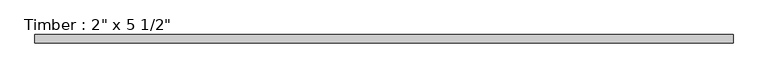
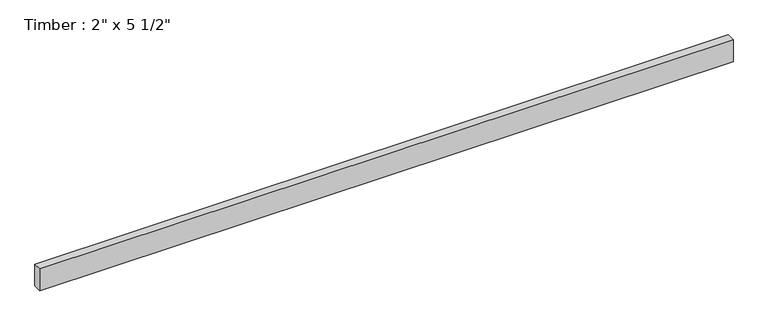
"""IFC4 building model written with IfcOpenShell, lengths in millimetres: beam geometry."""

from ifc_helpers import new_model, si_unit, frame, origin, place, context, project, spatial, polyline, outline, extrude, source, transform, mapped, element, save


def beam_366a29bc(model_context):
    return source(origin(), model_context, "Body", "SweptSolid", [
        extrude(outline(polyline([(2094.128742, 25.4), (2094.128742, -25.4), (-2095.1475244, -25.4), (-2095.1475244, 25.4), (2094.128742, 25.4)])), frame((0.0, 0.0, -69.85), z_axis=(0.0, 0.0, 1.0), x_axis=(1.0, 0.0, 0.0)), (0.0, 0.0, 1.0), 139.7),
    ])


if __name__ == "__main__":
    model = new_model("IFC4")
    model_context = context("Model", 3, world=origin())
    ifc_project = project(units=[si_unit("LENGTHUNIT", "METRE", prefix="MILLI")], contexts=[model_context])
    site = spatial("IfcSite", under=ifc_project)
    building = spatial("IfcBuilding", under=site)
    placement = place(None, origin())
    beam_shape = beam_366a29bc(model_context)
    element("IfcBeam", 1, ObjectType="Timber : 2\" x 5 1/2\"", at=placement, inside=building, context=model_context, shape_type="MappedRepresentation", body=[
        mapped(beam_shape, transform((0.0, 0.0, 0.0), x_axis=(1.0, 0.0, 0.0), y_axis=(0.0, 1.0, 0.0), z_axis=(0.0, 0.0, 1.0))),
    ])
    save(model, "model.ifc")
